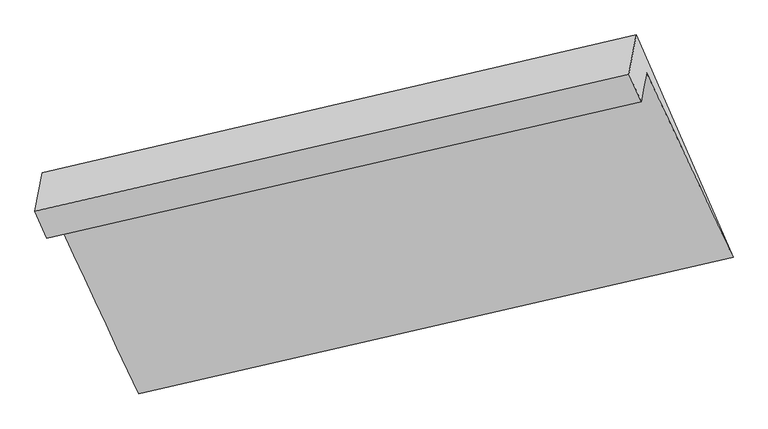
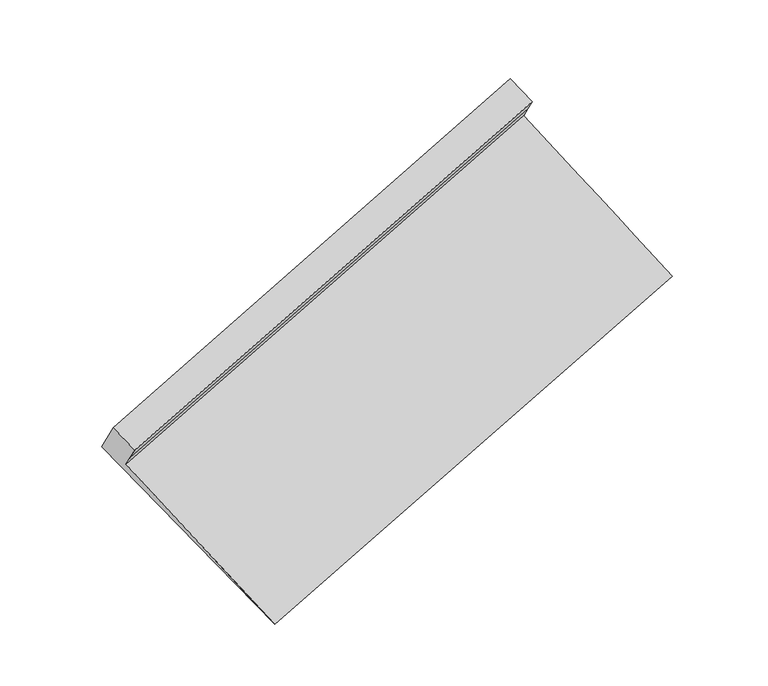
"""IFC4 building model written with IfcOpenShell, lengths in millimetres: proxy geometry."""

import ifcopenshell
import ifcopenshell.guid

model = None  # the IFC model being written
_history = None  # IfcOwnerHistory: only IFC2X3 demands one
_inside = {}  # id of a spatial element -> (the spatial element, [elements in it])
_under = {}  # id of a project, library or spatial element -> (it, [spatial elements below it])
_declared = {}  # id of a project -> (the project, [libraries it declares])
_typed = {}  # id of a type object -> (the type object, [elements of that type])
_made_of = {}  # id of a material, layer set ... -> (it, [elements and type objects made of it])


def new_model(schema):
    """Start an empty IFC model of exactly this schema.

    Asked for "IFC4X3", IfcOpenShell would pick the latest addendum, in which some entities
    have other attributes; the version numbers below select the first issue.
    IFC2X3 requires an IfcOwnerHistory on every rooted entity: one is made here for all.
    """
    global model, _history
    if schema == "IFC4X3":
        model = ifcopenshell.file(schema_version=(4, 3, 0, 0))
    else:
        model = ifcopenshell.file(schema=schema)
    _inside.clear()
    _under.clear()
    _declared.clear()
    _typed.clear()
    _made_of.clear()
    _history = None
    if model.schema == "IFC2X3":
        org = make("IfcOrganization", Name="unknown")
        user = make(
            "IfcPersonAndOrganization",
            ThePerson=make("IfcPerson", FamilyName="unknown"),
            TheOrganization=org,
        )
        app = make(
            "IfcApplication",
            ApplicationDeveloper=org,
            Version="unknown",
            ApplicationFullName="unknown",
            ApplicationIdentifier="unknown",
        )
        _history = make(
            "IfcOwnerHistory",
            OwningUser=user,
            OwningApplication=app,
            ChangeAction="ADDED",
            CreationDate=0,
        )
    return model


def make(cls, **values):
    """One entity of the class cls with the attributes given. An attribute that is None is left unset."""
    return model.create_entity(
        cls, **{name: value for name, value in values.items() if value is not None}
    )


def rooted(cls, **values):
    """An entity with a GlobalId (a new one), such as an element, a storey or a relation."""
    return make(cls, GlobalId=ifcopenshell.guid.new(), OwnerHistory=_history, **values)


def si_unit(unit_type, name, prefix=None):
    """IfcSIUnit, for example si_unit("LENGTHUNIT", "METRE", prefix="MILLI")."""
    return make("IfcSIUnit", UnitType=unit_type, Prefix=prefix, Name=name)


def assignment(units):
    """IfcUnitAssignment: the units of a project."""
    return None if units is None else make("IfcUnitAssignment", Units=units)


def point(xyz):
    """IfcCartesianPoint."""
    return None if xyz is None else make("IfcCartesianPoint", Coordinates=xyz)


def direction(xyz):
    """IfcDirection."""
    return None if xyz is None else make("IfcDirection", DirectionRatios=xyz)


def frame(location, z_axis=None, x_axis=None):
    """IfcAxis2Placement3D, a coordinate frame: its origin and axes. An axis left out is left unset."""
    return make(
        "IfcAxis2Placement3D",
        Location=point(location),
        Axis=direction(z_axis),
        RefDirection=direction(x_axis),
    )


def origin():
    """The frame at (0, 0, 0) with its axes left unset."""
    return frame((0.0, 0.0, 0.0))


def place(relative_to, where):
    """IfcLocalPlacement: puts the frame where relative to a parent placement (None: the world)."""
    return make(
        "IfcLocalPlacement", PlacementRelTo=relative_to, RelativePlacement=where
    )


def context(
    kind, dimensions, precision=None, world=None, true_north=None, identifier=None
):
    """IfcGeometricRepresentationContext, for example the 3D "Model" context."""
    return make(
        "IfcGeometricRepresentationContext",
        ContextIdentifier=identifier,
        ContextType=kind,
        CoordinateSpaceDimension=dimensions,
        Precision=precision,
        WorldCoordinateSystem=world,
        TrueNorth=true_north,
    )


def project(units=None, contexts=None):
    """IfcProject with its units and contexts."""
    return rooted(
        "IfcProject",
        Name="project",
        RepresentationContexts=contexts,
        UnitsInContext=assignment(units),
    )


def spatial(cls, under=None, at=None, **own):
    """A site, building, storey or space (cls), placed at a placement, below another one or the project."""
    s = rooted(cls, ObjectPlacement=at, **own)
    if under is not None:
        _under.setdefault(under.id(), (under, []))[1].append(s)
    return s


def shape(context_of_items, identifier, shape_type, items):
    """IfcShapeRepresentation: the items that make up one representation, for example the "Body"."""
    return make(
        "IfcShapeRepresentation",
        ContextOfItems=context_of_items,
        RepresentationIdentifier=identifier,
        RepresentationType=shape_type,
        Items=items,
    )


def source(mapping_origin, context_of_items, identifier, shape_type, items):
    """IfcRepresentationMap: a shape defined once, which mapped items show again and again."""
    return make(
        "IfcRepresentationMap",
        MappingOrigin=mapping_origin,
        MappedRepresentation=shape(context_of_items, identifier, shape_type, items),
    )


def transform(
    local_origin,
    x_axis=None,
    y_axis=None,
    z_axis=None,
    scale=None,
    scale2=None,
    scale3=None,
    uniform=True,
):
    """IfcCartesianTransformationOperator3D, or its non-uniform kind. x_axis, y_axis, z_axis: its Axis1, 2, 3."""
    if uniform:
        return make(
            "IfcCartesianTransformationOperator3D",
            Axis1=direction(x_axis),
            Axis2=direction(y_axis),
            LocalOrigin=point(local_origin),
            Scale=scale,
            Axis3=direction(z_axis),
        )
    return make(
        "IfcCartesianTransformationOperator3DnonUniform",
        Axis1=direction(x_axis),
        Axis2=direction(y_axis),
        LocalOrigin=point(local_origin),
        Scale=scale,
        Axis3=direction(z_axis),
        Scale2=scale2,
        Scale3=scale3,
    )


def mapped(mapping_source, mapping_target):
    """IfcMappedItem: shows the shape of a source again, moved by a transform."""
    return make(
        "IfcMappedItem", MappingSource=mapping_source, MappingTarget=mapping_target
    )


def made_of(thing, what):
    """Note that an element or type object is made of a material, layer set ...; save() writes the relation."""
    if what is not None:
        _made_of.setdefault(what.id(), (what, []))[1].append(thing)
    return thing


def element(
    cls,
    number,
    at=None,
    inside=None,
    cuts=None,
    type_object=None,
    material=None,
    context=None,
    identifier="Body",
    shape_type=None,
    held_by="IfcProductDefinitionShape",
    body=None,
    shapes=None,
    **own,
):
    """One element of the class cls, such as IfcWall. Its Tag is "e" and its number.

    at: its placement. inside: the storey or other place that contains it. cuts: it is an
    opening in that element (IfcRelVoidsElement). A single representation is given by context,
    identifier, shape_type and body (its items); several are given by shapes. held_by: the class
    of the entity that holds the representations. save() writes the other relations.
    """
    e = rooted(cls, Tag="e%d" % number, ObjectPlacement=at, **own)
    if body is not None:
        shapes = [shape(context, identifier, shape_type, body)]
    if shapes is not None:
        e.Representation = make(held_by, Representations=shapes)
    if inside is not None:
        _inside.setdefault(inside.id(), (inside, []))[1].append(e)
    if cuts is not None:
        rooted(
            "IfcRelVoidsElement", RelatingBuildingElement=cuts, RelatedOpeningElement=e
        )
    if type_object is not None:
        _typed.setdefault(type_object.id(), (type_object, []))[1].append(e)
    return made_of(e, material)


def aggregate(whole, parts):
    """IfcRelAggregates: a whole, such as a stair, and the parts it consists of."""
    return rooted("IfcRelAggregates", RelatingObject=whole, RelatedObjects=parts)


def save(model, path):
    """Write the relations noted so far, then the file.

    IfcRelAggregates (storeys below a building ...), IfcRelContainedInSpatialStructure (elements
    in a storey), IfcRelDefinesByType, IfcRelAssociatesMaterial and IfcRelDeclares: one each for
    every whole, place, type object, material and project.
    """
    for whole, parts in _under.values():
        aggregate(whole, parts)
    for where, things in _inside.values():
        rooted(
            "IfcRelContainedInSpatialStructure",
            RelatedElements=things,
            RelatingStructure=where,
        )
    for kind, things in _typed.values():
        rooted("IfcRelDefinesByType", RelatedObjects=things, RelatingType=kind)
    for what, things in _made_of.values():
        rooted("IfcRelAssociatesMaterial", RelatedObjects=things, RelatingMaterial=what)
    for by, libraries in _declared.values():
        rooted("IfcRelDeclares", RelatingContext=by, RelatedDefinitions=libraries)
    model.write(path)


def plane_surface(at):
    """IfcPlane: the flat surface through the origin of the frame at, square to its z axis."""
    return make("IfcPlane", Position=at)


def spline_surface(u_degree, v_degree, points, u_multiplicities, v_multiplicities, u_knots, v_knots, weights=None):
    """IfcBSplineSurfaceWithKnots; with weights, IfcRationalBSplineSurfaceWithKnots. points: one row for each step in u."""
    own = dict(
        UDegree=u_degree,
        VDegree=v_degree,
        ControlPointsList=[[point(p) for p in row] for row in points],
        SurfaceForm="UNSPECIFIED",
        UClosed=False,
        VClosed=False,
        SelfIntersect=False,
        UMultiplicities=u_multiplicities,
        VMultiplicities=v_multiplicities,
        UKnots=u_knots,
        VKnots=v_knots,
        KnotSpec="UNSPECIFIED",
    )
    if weights is None:
        return make("IfcBSplineSurfaceWithKnots", **own)
    return make("IfcRationalBSplineSurfaceWithKnots", WeightsData=weights, **own)


def advanced_brep(points, edges, surfaces, faces):
    """IfcAdvancedBrep: a solid bounded by faces that lie on surfaces and meet in shared edges.

    An edge is (start, end): straight between two places in points (the first is 0);
    or (start, end, curve); or (start, end, curve, False) where it runs against its curve.
    A face is (place in surfaces, loops), or (place, loops, False) where it looks against
    its surface's normal. A loop lists edges by number (the first is 1), with a minus sign
    where the edge is run from its end to its start. The first loop is the outer one.
    """
    corners = [point(p) for p in points]
    vertices = [make("IfcVertexPoint", VertexGeometry=c) for c in corners]
    made = []
    for start, end, *more in edges:
        made.append(
            make(
                "IfcEdgeCurve",
                EdgeStart=vertices[start],
                EdgeEnd=vertices[end],
                EdgeGeometry=more[0] if more else make("IfcPolyline", Points=[corners[start], corners[end]]),
                SameSense=more[1] if len(more) > 1 else True,
            )
        )
    hull = []
    for where, loops, *sense in faces:
        bounds = []
        for j, loop in enumerate(loops):
            ring = [make("IfcOrientedEdge", EdgeElement=made[abs(k) - 1], Orientation=k > 0) for k in loop]
            bounds.append(
                make(
                    "IfcFaceOuterBound" if j == 0 else "IfcFaceBound",
                    Bound=make("IfcEdgeLoop", EdgeList=ring),
                    Orientation=True,
                )
            )
        hull.append(make("IfcAdvancedFace", Bounds=bounds, FaceSurface=surfaces[where], SameSense=sense[0] if sense else True))
    return make("IfcAdvancedBrep", Outer=make("IfcClosedShell", CfsFaces=hull))


def generic_models_8a044348(model_context):
    return source(origin(), model_context, "Body", "AdvancedBrep", [
        advanced_brep(
        [(-5192.2446452, -1993.9355807, 1537.6893338), (-5171.7231687, -1885.0702353, 1392.1911062), (-716.4440569, -862.592943, 2795.592755), (-736.7338704, -970.2293287, 2939.4484815), (-5151.2016923, -1776.2048899, 1246.6928785), (-696.1542434, -754.9565572, 2651.7370284), (-4505.8974874, -3159.3638129, 215.8855232), (-48.3730498, -2138.1570318, 1613.0883937), (-5227.739592, -1501.737252, 1287.5312699), (-773.98364, -470.5239635, 2689.3313675), (-5282.507963, -1792.2805584, 1675.841581), (-829.2277531, -763.5910571, 3081.0147131)],
        [
            (0, 1),
            (1, 2),
            (2, 3),
            (3, 0),
            (1, 4),
            (4, 5),
            (5, 2),
            (4, 6),
            (6, 7),
            (7, 5),
            (6, 8),
            (8, 9),
            (9, 7),
            (8, 10),
            (10, 11),
            (11, 9),
            (10, 0),
            (3, 11),
        ],
        [
            plane_surface(frame((-5181.983907, -1939.502908, 1464.94022), z_axis=(0.34484987997993377, -0.7742501376826165, -0.5306743677400247), x_axis=(0.11221710211121796, 0.5953057819869635, -0.7956245018390589))),
            plane_surface(frame((-5161.4624305, -1830.6375626, 1319.4419923), z_axis=(0.344849879979934, -0.7742501376826149, -0.5306743677400266), x_axis=(0.11221710211121683, 0.5953057819869654, -0.7956245018390575))),
            spline_surface(1, 1, [[(-5151.2016923, -1776.2048899, 1246.6928785), (-696.1542434, -754.9565572, 2651.7370284)], [(-4505.8974874, -3159.3638129, 215.8855232), (-48.3730498, -2138.1570318, 1613.0883937)]], [2, 2], [2, 2], [0.0, 1.0], [0.0, 1.0]),
            spline_surface(1, 1, [[(-4505.8974874, -3159.3638129, 215.8855232), (-48.3730498, -2138.1570318, 1613.0883937)], [(-5227.739592, -1501.737252, 1287.5312699), (-773.98364, -470.5239635, 2689.3313675)]], [2, 2], [2, 2], [0.0, 1.0], [0.0, 1.0]),
            plane_surface(frame((-5255.1237775, -1647.0089052, 1481.6864254), z_axis=(-0.34610453895776594, 0.7739601493928294, 0.530280430776643), x_axis=(-0.11221710211121744, -0.5953057819869654, 0.7956245018390575))),
            plane_surface(frame((-5237.3763041, -1893.1080695, 1606.7654574), z_axis=(-0.11336057232104385, -0.5955706844012507, 0.7952640696805504), x_axis=(0.34640326493338985, -0.7738908767712527, -0.530186466154795))),
            plane_surface(frame((-616.8945113, -1019.4915876, 2594.9239968), z_axis=(0.9313496121421053, 0.21611093628757322, 0.29305965805558887), x_axis=(-0.11221710211121744, -0.5953057819869654, 0.7956245018390575))),
            plane_surface(frame((-5071.918276, -2044.7044188, 1192.7281173), z_axis=(-0.9313496121420897, -0.21611093628760936, -0.29305965805561207), x_axis=(-0.3464032649334336, 0.7738908767712367, 0.5301864661547897))),
        ],
        [
            (0, [[1, 2, 3, 4]]),
            (1, [[5, 6, 7, -2]]),
            (2, [[8, 9, 10, -6]]),
            (3, [[11, 12, 13, -9]]),
            (4, [[14, 15, 16, -12]]),
            (5, [[17, -4, 18, -15]]),
            (6, [[-16, -18, -3, -7, -10, -13]]),
            (7, [[-17, -14, -11, -8, -5, -1]]),
        ],
    ),
    ])


if __name__ == "__main__":
    model = new_model("IFC4")
    model_context = context("Model", 3, world=origin())
    ifc_project = project(units=[si_unit("LENGTHUNIT", "METRE", prefix="MILLI")], contexts=[model_context])
    site = spatial("IfcSite", under=ifc_project)
    building = spatial("IfcBuilding", under=site)
    placement = place(None, origin())
    generic_models_shape = generic_models_8a044348(model_context)
    element("IfcBuildingElementProxy", 1, Name="Generic Models", at=placement, inside=building, context=model_context, shape_type="MappedRepresentation", body=[
        mapped(generic_models_shape, transform((0.0, 0.0, 0.0), x_axis=(1.0, 0.0, 0.0), y_axis=(0.0, 1.0, 0.0), z_axis=(0.0, 0.0, 1.0))),
    ])
    save(model, "model.ifc")
